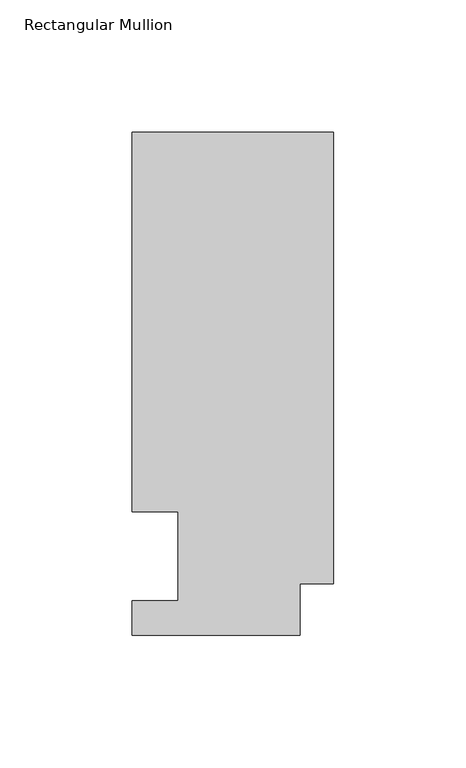
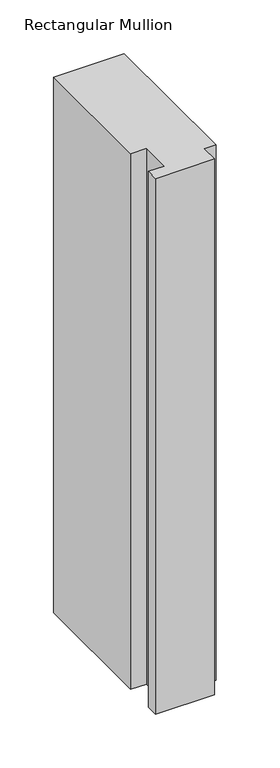
"""IFC4 building model written with IfcOpenShell, lengths in millimetres: member geometry, Rectangular Mullion."""

import ifcopenshell
import ifcopenshell.guid

model = None  # the IFC model being written
_history = None  # IfcOwnerHistory: only IFC2X3 demands one
_inside = {}  # id of a spatial element -> (the spatial element, [elements in it])
_under = {}  # id of a project, library or spatial element -> (it, [spatial elements below it])
_declared = {}  # id of a project -> (the project, [libraries it declares])
_typed = {}  # id of a type object -> (the type object, [elements of that type])
_made_of = {}  # id of a material, layer set ... -> (it, [elements and type objects made of it])


def new_model(schema):
    """Start an empty IFC model of exactly this schema.

    Asked for "IFC4X3", IfcOpenShell would pick the latest addendum, in which some entities
    have other attributes; the version numbers below select the first issue.
    IFC2X3 requires an IfcOwnerHistory on every rooted entity: one is made here for all.
    """
    global model, _history
    if schema == "IFC4X3":
        model = ifcopenshell.file(schema_version=(4, 3, 0, 0))
    else:
        model = ifcopenshell.file(schema=schema)
    _inside.clear()
    _under.clear()
    _declared.clear()
    _typed.clear()
    _made_of.clear()
    _history = None
    if model.schema == "IFC2X3":
        org = make("IfcOrganization", Name="unknown")
        user = make(
            "IfcPersonAndOrganization",
            ThePerson=make("IfcPerson", FamilyName="unknown"),
            TheOrganization=org,
        )
        app = make(
            "IfcApplication",
            ApplicationDeveloper=org,
            Version="unknown",
            ApplicationFullName="unknown",
            ApplicationIdentifier="unknown",
        )
        _history = make(
            "IfcOwnerHistory",
            OwningUser=user,
            OwningApplication=app,
            ChangeAction="ADDED",
            CreationDate=0,
        )
    return model


def make(cls, **values):
    """One entity of the class cls with the attributes given. An attribute that is None is left unset."""
    return model.create_entity(
        cls, **{name: value for name, value in values.items() if value is not None}
    )


def rooted(cls, **values):
    """An entity with a GlobalId (a new one), such as an element, a storey or a relation."""
    return make(cls, GlobalId=ifcopenshell.guid.new(), OwnerHistory=_history, **values)


def si_unit(unit_type, name, prefix=None):
    """IfcSIUnit, for example si_unit("LENGTHUNIT", "METRE", prefix="MILLI")."""
    return make("IfcSIUnit", UnitType=unit_type, Prefix=prefix, Name=name)


def assignment(units):
    """IfcUnitAssignment: the units of a project."""
    return None if units is None else make("IfcUnitAssignment", Units=units)


def point(xyz):
    """IfcCartesianPoint."""
    return None if xyz is None else make("IfcCartesianPoint", Coordinates=xyz)


def direction(xyz):
    """IfcDirection."""
    return None if xyz is None else make("IfcDirection", DirectionRatios=xyz)


def frame(location, z_axis=None, x_axis=None):
    """IfcAxis2Placement3D, a coordinate frame: its origin and axes. An axis left out is left unset."""
    return make(
        "IfcAxis2Placement3D",
        Location=point(location),
        Axis=direction(z_axis),
        RefDirection=direction(x_axis),
    )


def origin():
    """The frame at (0, 0, 0) with its axes left unset."""
    return frame((0.0, 0.0, 0.0))


def place(relative_to, where):
    """IfcLocalPlacement: puts the frame where relative to a parent placement (None: the world)."""
    return make(
        "IfcLocalPlacement", PlacementRelTo=relative_to, RelativePlacement=where
    )


def context(
    kind, dimensions, precision=None, world=None, true_north=None, identifier=None
):
    """IfcGeometricRepresentationContext, for example the 3D "Model" context."""
    return make(
        "IfcGeometricRepresentationContext",
        ContextIdentifier=identifier,
        ContextType=kind,
        CoordinateSpaceDimension=dimensions,
        Precision=precision,
        WorldCoordinateSystem=world,
        TrueNorth=true_north,
    )


def project(units=None, contexts=None):
    """IfcProject with its units and contexts."""
    return rooted(
        "IfcProject",
        Name="project",
        RepresentationContexts=contexts,
        UnitsInContext=assignment(units),
    )


def spatial(cls, under=None, at=None, **own):
    """A site, building, storey or space (cls), placed at a placement, below another one or the project."""
    s = rooted(cls, ObjectPlacement=at, **own)
    if under is not None:
        _under.setdefault(under.id(), (under, []))[1].append(s)
    return s


def polyline(points):
    """IfcPolyline through the points."""
    return make("IfcPolyline", Points=[point(p) for p in points])


def outline(outer, holes=None, kind="AREA"):
    """IfcArbitraryClosedProfileDef: a profile drawn as a closed curve; with holes, ...WithVoids."""
    if holes is None:
        return make("IfcArbitraryClosedProfileDef", ProfileType=kind, OuterCurve=outer)
    return make(
        "IfcArbitraryProfileDefWithVoids",
        ProfileType=kind,
        OuterCurve=outer,
        InnerCurves=holes,
    )


def extrude(swept, where, along, depth):
    """IfcExtrudedAreaSolid: the profile swept, set in the frame where, extruded along a direction by depth."""
    return make(
        "IfcExtrudedAreaSolid",
        SweptArea=swept,
        Position=where,
        ExtrudedDirection=direction(along),
        Depth=depth,
    )


def shape(context_of_items, identifier, shape_type, items):
    """IfcShapeRepresentation: the items that make up one representation, for example the "Body"."""
    return make(
        "IfcShapeRepresentation",
        ContextOfItems=context_of_items,
        RepresentationIdentifier=identifier,
        RepresentationType=shape_type,
        Items=items,
    )


def source(mapping_origin, context_of_items, identifier, shape_type, items):
    """IfcRepresentationMap: a shape defined once, which mapped items show again and again."""
    return make(
        "IfcRepresentationMap",
        MappingOrigin=mapping_origin,
        MappedRepresentation=shape(context_of_items, identifier, shape_type, items),
    )


def transform(
    local_origin,
    x_axis=None,
    y_axis=None,
    z_axis=None,
    scale=None,
    scale2=None,
    scale3=None,
    uniform=True,
):
    """IfcCartesianTransformationOperator3D, or its non-uniform kind. x_axis, y_axis, z_axis: its Axis1, 2, 3."""
    if uniform:
        return make(
            "IfcCartesianTransformationOperator3D",
            Axis1=direction(x_axis),
            Axis2=direction(y_axis),
            LocalOrigin=point(local_origin),
            Scale=scale,
            Axis3=direction(z_axis),
        )
    return make(
        "IfcCartesianTransformationOperator3DnonUniform",
        Axis1=direction(x_axis),
        Axis2=direction(y_axis),
        LocalOrigin=point(local_origin),
        Scale=scale,
        Axis3=direction(z_axis),
        Scale2=scale2,
        Scale3=scale3,
    )


def mapped(mapping_source, mapping_target):
    """IfcMappedItem: shows the shape of a source again, moved by a transform."""
    return make(
        "IfcMappedItem", MappingSource=mapping_source, MappingTarget=mapping_target
    )


def made_of(thing, what):
    """Note that an element or type object is made of a material, layer set ...; save() writes the relation."""
    if what is not None:
        _made_of.setdefault(what.id(), (what, []))[1].append(thing)
    return thing


def element(
    cls,
    number,
    at=None,
    inside=None,
    cuts=None,
    type_object=None,
    material=None,
    context=None,
    identifier="Body",
    shape_type=None,
    held_by="IfcProductDefinitionShape",
    body=None,
    shapes=None,
    **own,
):
    """One element of the class cls, such as IfcWall. Its Tag is "e" and its number.

    at: its placement. inside: the storey or other place that contains it. cuts: it is an
    opening in that element (IfcRelVoidsElement). A single representation is given by context,
    identifier, shape_type and body (its items); several are given by shapes. held_by: the class
    of the entity that holds the representations. save() writes the other relations.
    """
    e = rooted(cls, Tag="e%d" % number, ObjectPlacement=at, **own)
    if body is not None:
        shapes = [shape(context, identifier, shape_type, body)]
    if shapes is not None:
        e.Representation = make(held_by, Representations=shapes)
    if inside is not None:
        _inside.setdefault(inside.id(), (inside, []))[1].append(e)
    if cuts is not None:
        rooted(
            "IfcRelVoidsElement", RelatingBuildingElement=cuts, RelatedOpeningElement=e
        )
    if type_object is not None:
        _typed.setdefault(type_object.id(), (type_object, []))[1].append(e)
    return made_of(e, material)


def aggregate(whole, parts):
    """IfcRelAggregates: a whole, such as a stair, and the parts it consists of."""
    return rooted("IfcRelAggregates", RelatingObject=whole, RelatedObjects=parts)


def save(model, path):
    """Write the relations noted so far, then the file.

    IfcRelAggregates (storeys below a building ...), IfcRelContainedInSpatialStructure (elements
    in a storey), IfcRelDefinesByType, IfcRelAssociatesMaterial and IfcRelDeclares: one each for
    every whole, place, type object, material and project.
    """
    for whole, parts in _under.values():
        aggregate(whole, parts)
    for where, things in _inside.values():
        rooted(
            "IfcRelContainedInSpatialStructure",
            RelatedElements=things,
            RelatingStructure=where,
        )
    for kind, things in _typed.values():
        rooted("IfcRelDefinesByType", RelatedObjects=things, RelatingType=kind)
    for what, things in _made_of.values():
        rooted("IfcRelAssociatesMaterial", RelatedObjects=things, RelatingMaterial=what)
    for by, libraries in _declared.values():
        rooted("IfcRelDeclares", RelatingContext=by, RelatedDefinitions=libraries)
    model.write(path)


def rectangular_mullion_737c4b28(model_context):
    return source(origin(), model_context, "Body", "SweptSolid", [
        extrude(outline(polyline([(0.0, 190.3784538), (0.0, 19.6726806), (-12.7, 19.6726806), (-12.7, 0.1400806), (-76.2, 0.1400806), (-76.2, 13.3226806), (-58.7676635, 13.3226806), (-58.7676635, 46.8430527), (-76.2000001, 46.8430527), (-76.2000001, 190.3784538), (0.0, 190.3784538)])), frame((0.0, 0.0, -609.6), z_axis=(0.0, 0.0, 1.0), x_axis=(1.0, 0.0, 0.0)), (0.0, 0.0, 1.0), 609.6),
    ])


if __name__ == "__main__":
    model = new_model("IFC4")
    model_context = context("Model", 3, world=origin())
    ifc_project = project(units=[si_unit("LENGTHUNIT", "METRE", prefix="MILLI")], contexts=[model_context])
    site = spatial("IfcSite", under=ifc_project)
    building = spatial("IfcBuilding", under=site)
    placement = place(None, origin())
    rectangular_mullion_shape = rectangular_mullion_737c4b28(model_context)
    element("IfcMember", 1, ObjectType="Rectangular Mullion", at=placement, inside=building, context=model_context, shape_type="MappedRepresentation", body=[
        mapped(rectangular_mullion_shape, transform((0.0, 0.0, 0.0), x_axis=(1.0, 0.0, 0.0), y_axis=(0.0, 1.0, 0.0), z_axis=(0.0, 0.0, 1.0))),
    ])
    save(model, "model.ifc")
